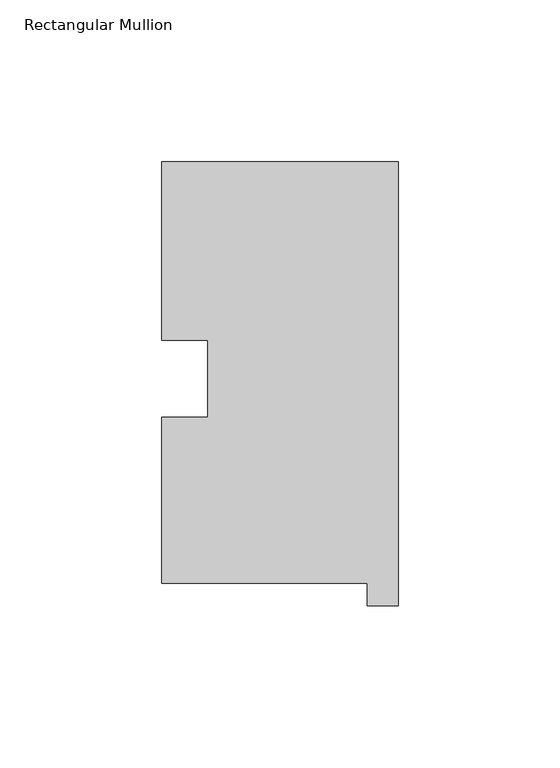
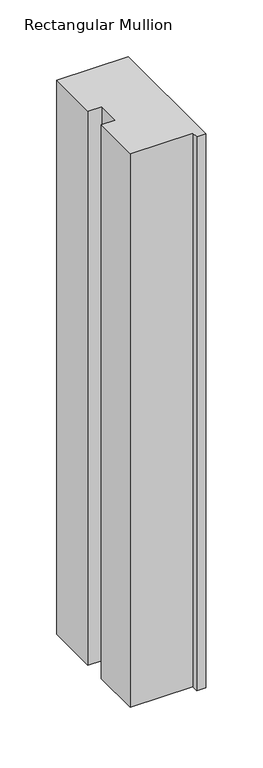
"""IFC4 building model written with IfcOpenShell, lengths in millimetres: member geometry, Rectangular Mullion."""

from ifc_helpers import new_model, si_unit, frame, origin, place, context, project, spatial, polyline, outline, extrude, source, transform, mapped, element, save


def rectangular_mullion_f01f3824(model_context):
    return source(origin(), model_context, "Body", "SweptSolid", [
        extrude(outline(polyline([(-73.025, 130.56235), (0.0, 130.56235), (0.0, -6.64845), (-9.525, -6.64845), (-9.525, 0.26035), (-73.025, 0.26035), (-73.025, 51.60645), (-58.785125, 51.60645), (-58.785125, 75.40625), (-73.025, 75.40625), (-73.025, 130.56235)])), frame((0.0, 0.0, -596.9063826), z_axis=(0.0, 0.0, 1.0), x_axis=(1.0, 0.0, 0.0)), (0.0, 0.0, 1.0), 596.9063826),
    ])


if __name__ == "__main__":
    model = new_model("IFC4")
    model_context = context("Model", 3, world=origin())
    ifc_project = project(units=[si_unit("LENGTHUNIT", "METRE", prefix="MILLI")], contexts=[model_context])
    site = spatial("IfcSite", under=ifc_project)
    building = spatial("IfcBuilding", under=site)
    placement = place(None, origin())
    rectangular_mullion_shape = rectangular_mullion_f01f3824(model_context)
    element("IfcMember", 1, ObjectType="Rectangular Mullion", at=placement, inside=building, context=model_context, shape_type="MappedRepresentation", body=[
        mapped(rectangular_mullion_shape, transform((0.0, 0.0, 0.0), x_axis=(1.0, 0.0, 0.0), y_axis=(0.0, 1.0, 0.0), z_axis=(0.0, 0.0, 1.0))),
    ])
    save(model, "model.ifc")
